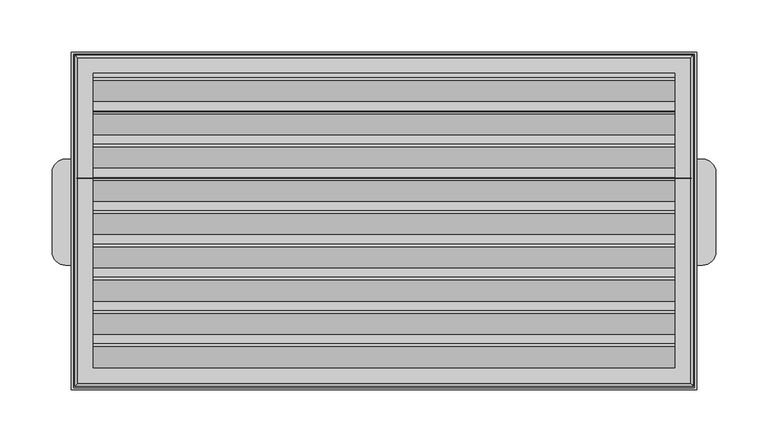
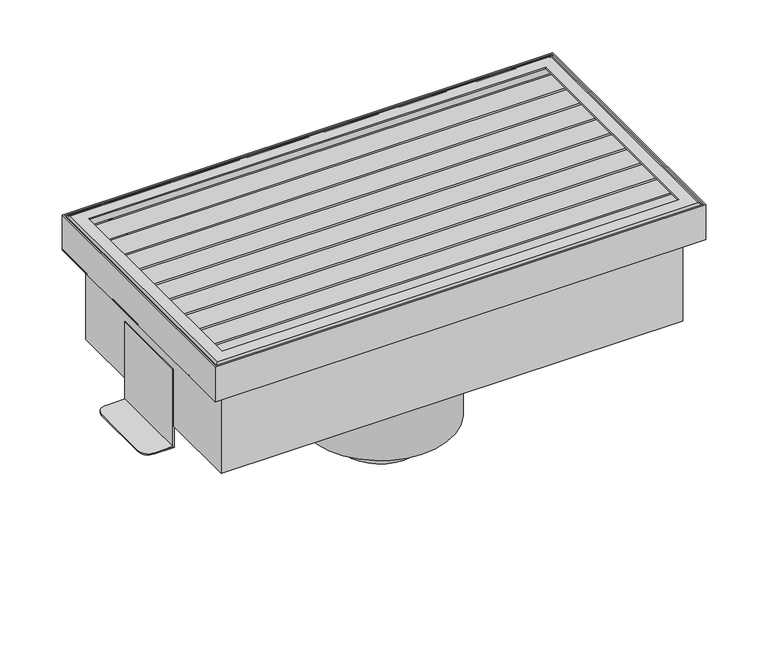
"""IFC4 building model written with IfcOpenShell, lengths in millimetres: proxy geometry."""

from ifc_helpers import new_model, si_unit, point, frame, frame_2d, origin, origin_with_axes, origin_2d, place, context, project, spatial, polyline, circle_curve, ellipse_curve, trimmed, segment, composite_curve, outline, extrude, source, transform, mapped, element, save
from ifc_brep_helpers import plane_surface, cylinder_surface, revolved_surface, advanced_brep


def generic_models_0a23882f(model_context):
    return source(origin(), model_context, "Body", "SolidModel", [
        advanced_brep(
        [(-305.59375, 50.8, 1.524), (-318.29375, 38.1, 1.524), (-318.29375, -38.1, 1.524), (-305.59375, -50.8, 1.524), (-282.63215, -50.8, 1.524), (-282.63215, 50.8, 1.524), (-305.59375, 50.8, 0.0), (-281.10815, 50.8, 0.0), (-281.10815, -50.8, 0.0), (-305.59375, -50.8, 0.0), (-318.29375, -38.1, 0.0), (-318.29375, 38.1, 0.0), (-282.63215, 50.8, 101.6), (-281.10815, 50.8, 101.6), (-281.10815, -50.8, 101.6), (-282.63215, -50.8, 101.6)],
        [
            (0, 1, circle_curve(frame((-305.59375, 38.1, 1.524), z_axis=(0.0, 0.0, 1.0), x_axis=(-1.0, 0.0, 0.0)), 12.7)),
            (1, 2),
            (2, 3, circle_curve(frame((-305.59375, -38.1, 1.524), z_axis=(0.0, 0.0, 1.0), x_axis=(-1.0, 0.0, 0.0)), 12.7)),
            (3, 4),
            (4, 5),
            (5, 0),
            (6, 7),
            (7, 8),
            (8, 9),
            (9, 10, circle_curve(frame((-305.59375, -38.1, 0.0), z_axis=(0.0, 0.0, -1.0), x_axis=(-1.0, 0.0, 0.0)), 12.7)),
            (10, 11),
            (11, 6, circle_curve(frame((-305.59375, 38.1, 0.0), z_axis=(0.0, 0.0, -1.0), x_axis=(-1.0, 0.0, 0.0)), 12.7)),
            (6, 0),
            (5, 12),
            (12, 13),
            (13, 7),
            (13, 14),
            (14, 8),
            (14, 15),
            (15, 4),
            (3, 9),
            (2, 10),
            (1, 11),
            (12, 15),
        ],
        [
            plane_surface(frame((-318.29375, 38.1, 1.524), z_axis=(0.0, 0.0, 1.0), x_axis=(0.0, -1.0, 0.0))),
            plane_surface(frame((-318.29375, 38.1, 0.0), z_axis=(0.0, 0.0, -1.0), x_axis=(0.0, 1.0, 0.0))),
            plane_surface(frame((-281.10815, 50.8, 1.524), z_axis=(0.0, 1.0, 0.0), x_axis=(0.0, 0.0, -1.0))),
            plane_surface(frame((-281.10815, -50.8, 1.524), z_axis=(1.0, 0.0, 0.0), x_axis=(0.0, 0.0, -1.0))),
            plane_surface(frame((-305.59375, -50.8, 1.524), z_axis=(0.0, -1.0, 0.0), x_axis=(0.0, 0.0, -1.0))),
            cylinder_surface(frame((-305.59375, -38.1, 0.0), z_axis=(0.0, 0.0, 1.0), x_axis=(-1.0, 0.0, 0.0)), 12.7),
            plane_surface(frame((-318.29375, 38.1, 1.524), z_axis=(-1.0, 0.0, 0.0), x_axis=(0.0, 0.0, -1.0))),
            cylinder_surface(frame((-305.59375, 38.1, 0.0), z_axis=(0.0, 0.0, 1.0), x_axis=(-1.0, 0.0, 0.0)), 12.7),
            plane_surface(frame((-282.63215, -512.4841795, 101.6), z_axis=(0.0, 0.0, 1.0), x_axis=(0.0, -1.0, 0.0))),
            plane_surface(frame((-282.63215, 50.8, 101.6), z_axis=(-1.0, 0.0, 0.0), x_axis=(0.0, 0.0, -1.0))),
        ],
        [
            (0, [[1, 2, 3, 4, 5, 6]]),
            (1, [[7, 8, 9, 10, 11, 12]]),
            (2, [[13, -6, 14, 15, 16, -7]]),
            (3, [[-8, -16, 17, 18]]),
            (4, [[-18, 19, 20, -4, 21, -9]]),
            (5, [[-3, 22, -10, -21]]),
            (6, [[-2, 23, -11, -22]]),
            (7, [[-1, -13, -12, -23]]),
            (8, [[24, -19, -17, -15]]),
            (9, [[-24, -14, -5, -20]]),
        ],
    ),
        advanced_brep(
        [(282.63215, 50.8, 101.6), (281.10815, 50.8, 101.6), (281.10815, -50.8, 101.6), (282.63215, -50.8, 101.6), (281.10815, -50.8, 0.0), (281.10815, 50.8, 0.0), (305.59375, 50.8, 0.0), (318.29375, 38.1, 0.0), (318.29375, -38.1, 0.0), (305.59375, -50.8, 0.0), (282.63215, 50.8, 1.524), (305.59375, 50.8, 1.524), (305.59375, -50.8, 1.524), (282.63215, -50.8, 1.524), (318.29375, -38.1, 1.524), (318.29375, 38.1, 1.524)],
        [
            (0, 1),
            (1, 2),
            (2, 3),
            (3, 0),
            (4, 5),
            (5, 6),
            (6, 7, circle_curve(frame((305.59375, 38.1, 0.0), z_axis=(0.0, 0.0, -1.0), x_axis=(1.0, 0.0, 0.0)), 12.7)),
            (7, 8),
            (8, 9, circle_curve(frame((305.59375, -38.1, 0.0), z_axis=(0.0, 0.0, -1.0), x_axis=(1.0, 0.0, 0.0)), 12.7)),
            (9, 4),
            (0, 10),
            (10, 11),
            (11, 6),
            (5, 1),
            (4, 2),
            (9, 12),
            (12, 13),
            (13, 3),
            (13, 10),
            (12, 14, circle_curve(frame((305.59375, -38.1, 1.524), z_axis=(0.0, 0.0, 1.0), x_axis=(1.0, 0.0, 0.0)), 12.7)),
            (14, 15),
            (15, 11, circle_curve(frame((305.59375, 38.1, 1.524), z_axis=(0.0, 0.0, 1.0), x_axis=(1.0, 0.0, 0.0)), 12.7)),
            (8, 14),
            (7, 15),
        ],
        [
            plane_surface(frame((299.72, 50.8, 101.6), z_axis=(0.0, 0.0, 1.0), x_axis=(-1.0, 0.0, 0.0))),
            plane_surface(frame((299.72, 50.8, 0.0), z_axis=(0.0, 0.0, -1.0), x_axis=(1.0, 0.0, 0.0))),
            plane_surface(frame((282.63215, 50.8, 101.6), z_axis=(0.0, 1.0, 0.0), x_axis=(0.0, 0.0, -1.0))),
            plane_surface(frame((281.10815, 50.8, 101.6), z_axis=(-1.0, 0.0, 0.0), x_axis=(0.0, 0.0, -1.0))),
            plane_surface(frame((281.10815, -50.8, 101.6), z_axis=(0.0, -1.0, 0.0), x_axis=(0.0, 0.0, -1.0))),
            plane_surface(frame((282.63215, -50.8, 101.6), z_axis=(1.0, 0.0, 0.0), x_axis=(0.0, 0.0, -1.0))),
            plane_surface(frame((299.72, 50.8, 1.524), z_axis=(0.0, 0.0, 1.0), x_axis=(-1.0, 0.0, 0.0))),
            cylinder_surface(frame((305.59375, -38.1, 0.0), z_axis=(0.0, 0.0, 1.0), x_axis=(1.0, 0.0, 0.0)), 12.7),
            plane_surface(frame((318.29375, -38.1, 1.524), z_axis=(1.0, 0.0, 0.0), x_axis=(0.0, 0.0, -1.0))),
            cylinder_surface(frame((305.59375, 38.1, 0.0), z_axis=(0.0, 0.0, 1.0), x_axis=(1.0, 0.0, 0.0)), 12.7),
        ],
        [
            (0, [[1, 2, 3, 4]]),
            (1, [[5, 6, 7, 8, 9, 10]]),
            (2, [[-1, 11, 12, 13, -6, 14]]),
            (3, [[15, -2, -14, -5]]),
            (4, [[-3, -15, -10, 16, 17, 18]]),
            (5, [[-4, -18, 19, -11]]),
            (6, [[20, 21, 22, -12, -19, -17]]),
            (7, [[-20, -16, -9, 23]]),
            (8, [[-21, -23, -8, 24]]),
            (9, [[-22, -24, -7, -13]]),
        ],
    ),
        extrude(outline(composite_curve([segment(polyline([(-305.59375, 50.8), (-281.10815, 50.8), (-281.10815, -50.8), (-305.59375, -50.8)]), True, "CONTINUOUS"), segment(trimmed(circle_curve(frame_2d((-305.59375, -38.1)), 12.7), [point((-305.59375, -50.8))], [point((-318.29375, -38.1))], False, "CARTESIAN"), True, "CONTINUOUS"), segment(polyline([(-318.29375, -38.1), (-318.29375, 38.1)]), True, "CONTINUOUS"), segment(trimmed(circle_curve(frame_2d((-305.59375, 38.1)), 12.7), [point((-318.29375, 38.1))], [point((-305.59375, 50.8))], False, "CARTESIAN"), True, "CONTINUOUS")], self_intersect=False)), origin_with_axes(), (0.0, 0.0, 1.0), 1.524),
        extrude(outline(composite_curve([segment(trimmed(circle_curve(origin_2d(), 88.503125), [point((-88.503125, 0.0))], [point((88.503125, 0.0))], False, "CARTESIAN"), True, "CONTINUOUS"), segment(trimmed(circle_curve(origin_2d(), 88.503125), [point((88.503125, 0.0))], [point((-88.503125, 0.0))], False, "CARTESIAN"), True, "CONTINUOUS")], self_intersect=False)), frame((0.0, 0.0, -84.4383923), z_axis=(0.0, 0.0, 1.0), x_axis=(1.0, 0.0, 0.0)), (0.0, 0.0, 1.0), 112.6236),
        extrude(outline(composite_curve([segment(trimmed(circle_curve(origin_2d(), 50.403125), [point((-50.403125, 0.0))], [point((50.403125, 0.0))], False, "CARTESIAN"), True, "CONTINUOUS"), segment(trimmed(circle_curve(origin_2d(), 50.403125), [point((50.403125, 0.0))], [point((-50.403125, 0.0))], False, "CARTESIAN"), True, "CONTINUOUS")], self_intersect=False)), frame((0.0, 0.0, -115.2739923), z_axis=(0.0, 0.0, 1.0), x_axis=(1.0, 0.0, 0.0)), (0.0, 0.0, 1.0), 30.8356),
        extrude(outline(polyline([(282.1003375, 133.9915268), (282.1003375, -152.3807732), (-282.1003375, -152.3807732), (-282.1003375, 133.9915268), (282.1003375, 133.9915268)])), frame((0.0, 0.0, 28.1852077), z_axis=(0.0, 0.0, 1.0), x_axis=(1.0, 0.0, 0.0)), (0.0, 0.0, 1.0), 109.65815),
        extrude(outline(composite_curve([segment(polyline([(128.6604404, 176.370142), (124.5519904, 169.2540979), (123.7600968, 169.7112979), (127.8685468, 176.827342)]), True, "CONTINUOUS"), segment(trimmed(circle_curve(frame_2d((127.5275926, 177.024192)), 0.3937), [point((127.8685468, 176.827342))], [point((127.1866384, 177.221042))], True, "CARTESIAN"), True, "CONTINUOUS"), segment(polyline([(127.1866384, 177.221042), (106.9535442, 142.1762948), (106.1616506, 142.6334948), (126.3947448, 177.678242)]), True, "CONTINUOUS"), segment(trimmed(circle_curve(frame_2d((127.5275926, 177.024192)), 1.3081), [point((126.3947448, 177.678242))], [point((128.6604404, 176.370142))], False, "CARTESIAN"), True, "CONTINUOUS")], self_intersect=False)), frame((-294.54475, 0.0, 0.0), z_axis=(1.0, 0.0, 0.0), x_axis=(0.0, 1.0, 0.0)), (0.0, 0.0, 1.0), 589.0895),
        extrude(outline(composite_curve([segment(polyline([(96.7516904, 176.370142), (92.6432404, 169.2540979), (91.8513468, 169.7112979), (95.9597968, 176.827342)]), True, "CONTINUOUS"), segment(trimmed(circle_curve(frame_2d((95.6188426, 177.024192)), 0.3937), [point((95.9597968, 176.827342))], [point((95.2778884, 177.221042))], True, "CARTESIAN"), True, "CONTINUOUS"), segment(polyline([(95.2778884, 177.221042), (75.0447942, 142.1762948), (74.2529006, 142.6334948), (94.4859948, 177.678242)]), True, "CONTINUOUS"), segment(trimmed(circle_curve(frame_2d((95.6188426, 177.024192)), 1.3081), [point((94.4859948, 177.678242))], [point((96.7516904, 176.370142))], False, "CARTESIAN"), True, "CONTINUOUS")], self_intersect=False)), frame((-294.54475, 0.0, 0.0), z_axis=(1.0, 0.0, 0.0), x_axis=(0.0, 1.0, 0.0)), (0.0, 0.0, 1.0), 589.0895),
        extrude(outline(composite_curve([segment(polyline([(64.8429404, 176.370142), (60.7344904, 169.2540979), (59.9425968, 169.7112979), (64.0510468, 176.827342)]), True, "CONTINUOUS"), segment(trimmed(circle_curve(frame_2d((63.7100926, 177.024192)), 0.3937), [point((64.0510468, 176.827342))], [point((63.3691384, 177.221042))], True, "CARTESIAN"), True, "CONTINUOUS"), segment(polyline([(63.3691384, 177.221042), (43.1360442, 142.1762948), (42.3441506, 142.6334948), (62.5772448, 177.678242)]), True, "CONTINUOUS"), segment(trimmed(circle_curve(frame_2d((63.7100926, 177.024192)), 1.3081), [point((62.5772448, 177.678242))], [point((64.8429404, 176.370142))], False, "CARTESIAN"), True, "CONTINUOUS")], self_intersect=False)), frame((-294.54475, 0.0, 0.0), z_axis=(1.0, 0.0, 0.0), x_axis=(0.0, 1.0, 0.0)), (0.0, 0.0, 1.0), 589.0895),
        extrude(outline(composite_curve([segment(polyline([(32.9341904, 176.370142), (28.8257404, 169.2540979), (28.0338468, 169.7112979), (32.1422968, 176.827342)]), True, "CONTINUOUS"), segment(trimmed(circle_curve(frame_2d((31.8013426, 177.024192)), 0.3937), [point((32.1422968, 176.827342))], [point((31.4603884, 177.221042))], True, "CARTESIAN"), True, "CONTINUOUS"), segment(polyline([(31.4603884, 177.221042), (11.2272942, 142.1762948), (10.4354006, 142.6334948), (30.6684948, 177.678242)]), True, "CONTINUOUS"), segment(trimmed(circle_curve(frame_2d((31.8013426, 177.024192)), 1.3081), [point((30.6684948, 177.678242))], [point((32.9341904, 176.370142))], False, "CARTESIAN"), True, "CONTINUOUS")], self_intersect=False)), frame((-294.54475, 0.0, 0.0), z_axis=(1.0, 0.0, 0.0), x_axis=(0.0, 1.0, 0.0)), (0.0, 0.0, 1.0), 589.0895),
        extrude(outline(composite_curve([segment(polyline([(1.0254404, 176.370142), (-3.0830096, 169.2540979), (-3.8749032, 169.7112979), (0.2335468, 176.827342)]), True, "CONTINUOUS"), segment(trimmed(circle_curve(frame_2d((-0.1074074, 177.024192)), 0.3937), [point((0.2335468, 176.827342))], [point((-0.4483616, 177.221042))], True, "CARTESIAN"), True, "CONTINUOUS"), segment(polyline([(-0.4483616, 177.221042), (-20.6814558, 142.1762948), (-21.4733494, 142.6334948), (-1.2402552, 177.678242)]), True, "CONTINUOUS"), segment(trimmed(circle_curve(frame_2d((-0.1074074, 177.024192)), 1.3081), [point((-1.2402552, 177.678242))], [point((1.0254404, 176.370142))], False, "CARTESIAN"), True, "CONTINUOUS")], self_intersect=False)), frame((-294.54475, 0.0, 0.0), z_axis=(1.0, 0.0, 0.0), x_axis=(0.0, 1.0, 0.0)), (0.0, 0.0, 1.0), 589.0895),
        extrude(outline(composite_curve([segment(polyline([(-30.8833096, 176.370142), (-34.9917596, 169.2540979), (-35.7836532, 169.7112979), (-31.6752032, 176.827342)]), True, "CONTINUOUS"), segment(trimmed(circle_curve(frame_2d((-32.0161574, 177.024192)), 0.3937), [point((-31.6752032, 176.827342))], [point((-32.3571116, 177.221042))], True, "CARTESIAN"), True, "CONTINUOUS"), segment(polyline([(-32.3571116, 177.221042), (-52.5902058, 142.1762948), (-53.3820994, 142.6334948), (-33.1490052, 177.678242)]), True, "CONTINUOUS"), segment(trimmed(circle_curve(frame_2d((-32.0161574, 177.024192)), 1.3081), [point((-33.1490052, 177.678242))], [point((-30.8833096, 176.370142))], False, "CARTESIAN"), True, "CONTINUOUS")], self_intersect=False)), frame((-294.54475, 0.0, 0.0), z_axis=(1.0, 0.0, 0.0), x_axis=(0.0, 1.0, 0.0)), (0.0, 0.0, 1.0), 589.0895),
        extrude(outline(composite_curve([segment(polyline([(-62.7920596, 176.370142), (-66.9005096, 169.2540979), (-67.6924032, 169.7112979), (-63.5839532, 176.827342)]), True, "CONTINUOUS"), segment(trimmed(circle_curve(frame_2d((-63.9249074, 177.024192)), 0.3937), [point((-63.5839532, 176.827342))], [point((-64.2658616, 177.221042))], True, "CARTESIAN"), True, "CONTINUOUS"), segment(polyline([(-64.2658616, 177.221042), (-84.4989558, 142.1762948), (-85.2908494, 142.6334948), (-65.0577552, 177.678242)]), True, "CONTINUOUS"), segment(trimmed(circle_curve(frame_2d((-63.9249074, 177.024192)), 1.3081), [point((-65.0577552, 177.678242))], [point((-62.7920596, 176.370142))], False, "CARTESIAN"), True, "CONTINUOUS")], self_intersect=False)), frame((-294.54475, 0.0, 0.0), z_axis=(1.0, 0.0, 0.0), x_axis=(0.0, 1.0, 0.0)), (0.0, 0.0, 1.0), 589.0895),
        extrude(outline(composite_curve([segment(polyline([(-94.7008096, 176.370142), (-98.8092596, 169.2540979), (-99.6011532, 169.7112979), (-95.4927032, 176.827342)]), True, "CONTINUOUS"), segment(trimmed(circle_curve(frame_2d((-95.8336574, 177.024192)), 0.3937), [point((-95.4927032, 176.827342))], [point((-96.1746116, 177.221042))], True, "CARTESIAN"), True, "CONTINUOUS"), segment(polyline([(-96.1746116, 177.221042), (-116.4077058, 142.1762948), (-117.1995994, 142.6334948), (-96.9665052, 177.678242)]), True, "CONTINUOUS"), segment(trimmed(circle_curve(frame_2d((-95.8336574, 177.024192)), 1.3081), [point((-96.9665052, 177.678242))], [point((-94.7008096, 176.370142))], False, "CARTESIAN"), True, "CONTINUOUS")], self_intersect=False)), frame((-294.54475, 0.0, 0.0), z_axis=(1.0, 0.0, 0.0), x_axis=(0.0, 1.0, 0.0)), (0.0, 0.0, 1.0), 589.0895),
        extrude(outline(composite_curve([segment(polyline([(-126.6095596, 176.370142), (-130.7180096, 169.2540979), (-131.5099032, 169.7112979), (-127.4014532, 176.827342)]), True, "CONTINUOUS"), segment(trimmed(circle_curve(frame_2d((-127.7424074, 177.024192)), 0.3937), [point((-127.4014532, 176.827342))], [point((-128.0833616, 177.221042))], True, "CARTESIAN"), True, "CONTINUOUS"), segment(polyline([(-128.0833616, 177.221042), (-148.3164558, 142.1762948), (-149.1083494, 142.6334948), (-128.8752552, 177.678242)]), True, "CONTINUOUS"), segment(trimmed(circle_curve(frame_2d((-127.7424074, 177.024192)), 1.3081), [point((-128.8752552, 177.678242))], [point((-126.6095596, 176.370142))], False, "CARTESIAN"), True, "CONTINUOUS")], self_intersect=False)), frame((-294.54475, 0.0, 0.0), z_axis=(1.0, 0.0, 0.0), x_axis=(0.0, 1.0, 0.0)), (0.0, 0.0, 1.0), 589.0895),
        advanced_brep(
        [(-295.0337108, 148.8567938, 181.6774077), (-294.2399608, 148.0630438, 182.4711577), (-294.2399608, -164.5728778, 182.4711577), (-295.0337108, -165.3666278, 181.6774077), (-295.0337108, 148.8567938, 139.5451577), (-295.0337108, -165.3666278, 139.5451577), (-296.5577108, 150.3807938, 181.6774077), (-296.5577108, 150.3807938, 139.5451577), (-296.5577108, -166.8906278, 139.5451577), (-296.5577108, -166.8906278, 181.6774077), (-294.2399608, 148.0630438, 183.9951577), (-294.2399608, -164.5728778, 183.9951577), (-279.0952108, 132.9182938, 182.4711577), (-279.0952108, 132.9182938, 183.9951577), (-279.0952108, -149.4281278, 183.9951577), (-279.0952108, -149.4281278, 182.4711577), (294.2399608, -164.5728778, 182.4711577), (295.0337108, -165.3666278, 181.6774077), (295.0337108, -165.3666278, 139.5451577), (296.5577108, -166.8906278, 139.5451577), (296.5577108, -166.8906278, 181.6774077), (294.2399608, -164.5728778, 183.9951577), (279.0952108, -149.4281278, 183.9951577), (279.0952108, -149.4281278, 182.4711577), (294.2399608, 148.0630438, 182.4711577), (295.0337108, 148.8567938, 181.6774077), (295.0337108, 148.8567938, 139.5451577), (296.5577108, 150.3807938, 139.5451577), (296.5577108, 150.3807938, 181.6774077), (294.2399608, 148.0630438, 183.9951577), (279.0952108, 132.9182938, 183.9951577), (279.0952108, 132.9182938, 182.4711577)],
        [
            (0, 1, ellipse_curve(frame((-294.2399608, 148.0630438, 181.6774077), z_axis=(0.7071067811865475, 0.7071067811865475, 0.0), x_axis=(0.7071067811865474, -0.7071067811865476, 0.0)), 1.122532, 0.79375)),
            (1, 2),
            (2, 3, ellipse_curve(frame((-294.2399608, -164.5728778, 181.6774077), z_axis=(0.7071067811865475, -0.7071067811865475, 0.0), x_axis=(-0.7071067811865474, -0.7071067811865476, 0.0)), 1.122532, 0.79375)),
            (3, 0),
            (4, 0),
            (3, 5),
            (5, 4),
            (6, 7),
            (7, 8),
            (8, 9),
            (9, 6),
            (10, 6, ellipse_curve(frame((-294.2399608, 148.0630438, 181.6774077), z_axis=(-0.7071067811865475, -0.7071067811865475, 0.0), x_axis=(-0.7071067811865474, 0.7071067811865476, 0.0)), 3.2777935, 2.31775)),
            (9, 11, ellipse_curve(frame((-294.2399608, -164.5728778, 181.6774077), z_axis=(-0.7071067811865475, 0.7071067811865475, 0.0), x_axis=(0.7071067811865474, 0.7071067811865476, 0.0)), 3.2777935, 2.31775)),
            (11, 10),
            (12, 13),
            (13, 14),
            (14, 15),
            (15, 12),
            (2, 16),
            (16, 17, ellipse_curve(frame((294.2399608, -164.5728778, 181.6774077), z_axis=(0.7071067811865475, 0.7071067811865475, 0.0), x_axis=(0.7071067811865476, -0.7071067811865474, 0.0)), 1.122532, 0.79375)),
            (17, 3),
            (17, 18),
            (18, 5),
            (8, 19),
            (19, 20),
            (20, 9),
            (20, 21, ellipse_curve(frame((294.2399608, -164.5728778, 181.6774077), z_axis=(-0.7071067811865475, -0.7071067811865475, 0.0), x_axis=(-0.7071067811865476, 0.7071067811865474, 0.0)), 3.2777935, 2.31775)),
            (21, 11),
            (14, 22),
            (22, 23),
            (23, 15),
            (16, 24),
            (24, 25, ellipse_curve(frame((294.2399608, 148.0630438, 181.6774077), z_axis=(-0.7071067811865475, 0.7071067811865475, 0.0), x_axis=(0.7071067811865474, 0.7071067811865476, 0.0)), 1.122532, 0.79375)),
            (25, 17),
            (25, 26),
            (26, 18),
            (19, 27),
            (27, 28),
            (28, 20),
            (28, 29, ellipse_curve(frame((294.2399608, 148.0630438, 181.6774077), z_axis=(0.7071067811865475, -0.7071067811865475, 0.0), x_axis=(-0.7071067811865474, -0.7071067811865476, 0.0)), 3.2777935, 2.31775)),
            (29, 21),
            (22, 30),
            (30, 31),
            (31, 23),
            (1, 24),
            (31, 12),
            (0, 25),
            (4, 26),
            (7, 27),
            (6, 28),
            (10, 29),
            (13, 30),
        ],
        [
            revolved_surface(polyline([(-294.2399608, -165.3666278, 180.88365770000001), (-294.2399608, 148.8567938, 180.88365770000001)]), (-294.2399608, 150.685583, 181.6774077), (0.0, -1.0, 0.0)),
            plane_surface(frame((-295.0337108, 148.8567938, 181.6774077), z_axis=(1.0, 0.0, 0.0), x_axis=(0.0, -1.0, 0.0))),
            plane_surface(frame((-296.5577108, 150.3807938, 139.5451577), z_axis=(-1.0, 0.0, 0.0), x_axis=(0.0, -1.0, 0.0))),
            cylinder_surface(frame((-294.2399608, 150.685583, 181.6774077), z_axis=(0.0, 1.0, 0.0), x_axis=(0.0, 0.0, -1.0)), 2.31775),
            plane_surface(frame((-279.0952108, 132.9182938, 183.9951577), z_axis=(1.0, 0.0, 0.0), x_axis=(0.0, -1.0, 0.0))),
            revolved_surface(polyline([(295.03371080000005, -164.5728778, 180.88365770000001), (-295.0337108, -164.5728778, 180.88365770000001)]), (-296.8625, -164.5728778, 181.6774077), (1.0, 0.0, 0.0)),
            plane_surface(frame((-295.0337108, -165.3666278, 181.6774077), z_axis=(0.0, 1.0, 0.0), x_axis=(1.0, 0.0, 0.0))),
            plane_surface(frame((-296.5577108, -166.8906278, 139.5451577), z_axis=(0.0, -1.0, 0.0), x_axis=(1.0, 0.0, 0.0))),
            cylinder_surface(frame((-296.8625, -164.5728778, 181.6774077), z_axis=(-1.0, 0.0, 0.0), x_axis=(0.0, 0.0, -1.0)), 2.31775),
            plane_surface(frame((-279.0952108, -149.4281278, 183.9951577), z_axis=(0.0, 1.0, 0.0), x_axis=(1.0, 0.0, 0.0))),
            revolved_surface(polyline([(294.2399608, 148.85679380000002, 180.88365770000001), (294.2399608, -165.3666278, 180.88365770000001)]), (294.2399608, -167.195417, 181.6774077), (0.0, 1.0, 0.0)),
            plane_surface(frame((295.0337108, -165.3666278, 181.6774077), z_axis=(-1.0, 0.0, 0.0), x_axis=(0.0, 1.0, 0.0))),
            plane_surface(frame((296.5577108, -166.8906278, 139.5451577), z_axis=(1.0, 0.0, 0.0), x_axis=(0.0, 1.0, 0.0))),
            cylinder_surface(frame((294.2399608, -167.195417, 181.6774077), z_axis=(0.0, -1.0, 0.0), x_axis=(0.0, 0.0, -1.0)), 2.31775),
            plane_surface(frame((279.0952108, -149.4281278, 183.9951577), z_axis=(-1.0, 0.0, 0.0), x_axis=(0.0, 1.0, 0.0))),
            plane_surface(frame((279.0952108, 132.9182938, 182.4711577), z_axis=(0.0, 0.0, -1.0), x_axis=(-1.0, 0.0, 0.0))),
            revolved_surface(polyline([(-295.03371080000005, 148.0630438, 180.88365770000001), (295.0337108, 148.0630438, 180.88365770000001)]), (296.8625, 148.0630438, 181.6774077), (-1.0, 0.0, 0.0)),
            plane_surface(frame((295.0337108, 148.8567938, 181.6774077), z_axis=(0.0, -1.0, 0.0), x_axis=(-1.0, 0.0, 0.0))),
            plane_surface(frame((295.0337108, 148.8567938, 139.5451577), z_axis=(0.0, 0.0, -1.0), x_axis=(-1.0, 0.0, 0.0))),
            plane_surface(frame((296.5577108, 150.3807938, 139.5451577), z_axis=(0.0, 1.0, 0.0), x_axis=(-1.0, 0.0, 0.0))),
            cylinder_surface(frame((296.8625, 148.0630438, 181.6774077), z_axis=(1.0, 0.0, 0.0), x_axis=(0.0, 0.0, -1.0)), 2.31775),
            plane_surface(frame((294.2399608, 148.0630438, 183.9951577), z_axis=(0.0, 0.0, 1.0), x_axis=(-1.0, 0.0, 0.0))),
            plane_surface(frame((279.0952108, 132.9182938, 183.9951577), z_axis=(0.0, -1.0, 0.0), x_axis=(-1.0, 0.0, 0.0))),
        ],
        [
            (0, [[1, 2, 3, 4]]),
            (1, [[5, -4, 6, 7]]),
            (2, [[8, 9, 10, 11]]),
            (3, [[12, -11, 13, 14]]),
            (4, [[15, 16, 17, 18]]),
            (5, [[-3, 19, 20, 21]]),
            (6, [[-6, -21, 22, 23]]),
            (7, [[-10, 24, 25, 26]]),
            (8, [[-13, -26, 27, 28]]),
            (9, [[-17, 29, 30, 31]]),
            (10, [[-20, 32, 33, 34]]),
            (11, [[-22, -34, 35, 36]]),
            (12, [[-25, 37, 38, 39]]),
            (13, [[-27, -39, 40, 41]]),
            (14, [[-30, 42, 43, 44]]),
            (15, [[45, -32, -19, -2], [-31, -44, 46, -18]]),
            (16, [[-33, -45, -1, 47]]),
            (17, [[-35, -47, -5, 48]]),
            (18, [[49, -37, -24, -9], [-23, -36, -48, -7]]),
            (19, [[-38, -49, -8, 50]]),
            (20, [[-40, -50, -12, 51]]),
            (21, [[-28, -41, -51, -14], [52, -42, -29, -16]]),
            (22, [[-43, -52, -15, -46]]),
        ],
    ),
        extrude(outline(polyline([(299.72, 153.3906884), (299.72, -170.2053116), (-299.72, -170.2053116), (-299.72, 153.3906884), (299.72, 153.3906884)]), holes=[polyline([(-297.7912, -168.2765116), (297.7912, -168.2765116), (297.7912, 151.4618884), (-297.7912, 151.4618884), (-297.7912, -168.2765116)])]), frame((0.0, 0.0, 137.8433577), z_axis=(0.0, 0.0, 1.0), x_axis=(1.0, 0.0, 0.0)), (0.0, 0.0, 1.0), 45.413103),
        extrude(outline(polyline([(299.72, 153.3906884), (299.72, -170.2053116), (-299.72, -170.2053116), (-299.72, 153.3906884), (299.72, 153.3906884)])), frame((0.0, 0.0, 137.8433577), z_axis=(0.0, 0.0, 1.0), x_axis=(1.0, 0.0, 0.0)), (0.0, 0.0, 1.0), 1.7018),
    ])


if __name__ == "__main__":
    model = new_model("IFC4")
    model_context = context("Model", 3, world=origin())
    ifc_project = project(units=[si_unit("LENGTHUNIT", "METRE", prefix="MILLI")], contexts=[model_context])
    site = spatial("IfcSite", under=ifc_project)
    building = spatial("IfcBuilding", under=site)
    placement = place(None, origin())
    generic_models_shape = generic_models_0a23882f(model_context)
    element("IfcBuildingElementProxy", 1, Name="Generic Models", at=placement, inside=building, context=model_context, shape_type="MappedRepresentation", body=[
        mapped(generic_models_shape, transform((0.0, 0.0, 0.0), x_axis=(1.0, 0.0, 0.0), y_axis=(0.0, 1.0, 0.0), z_axis=(0.0, 0.0, 1.0))),
    ])
    save(model, "model.ifc")
